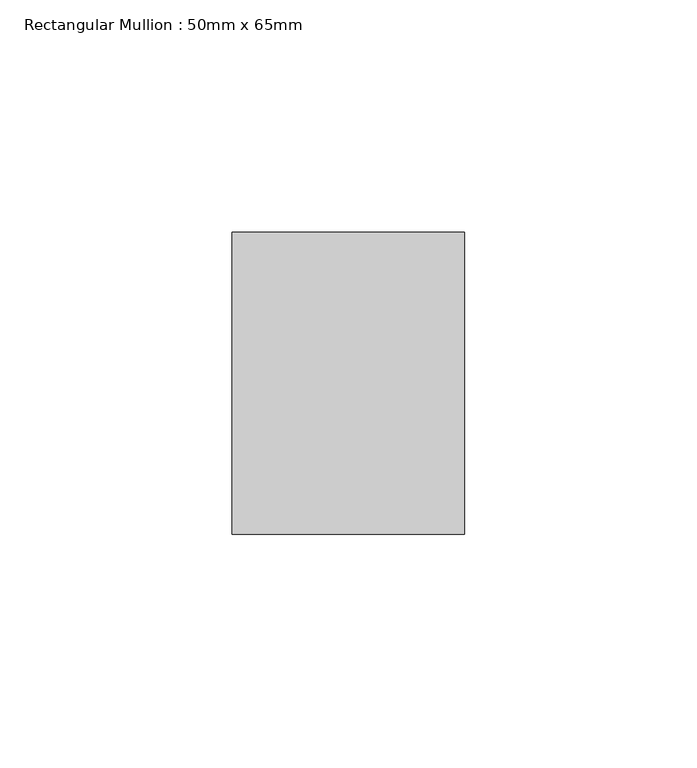
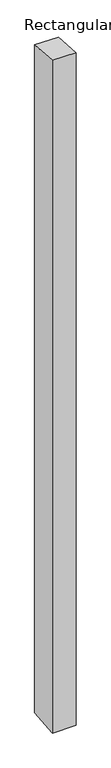
"""IFC4 building model written with IfcOpenShell, lengths in millimetres: member geometry, Rectangular Mullion : 50mm x 65mm."""

import ifcopenshell
import ifcopenshell.guid

model = None  # the IFC model being written
_history = None  # IfcOwnerHistory: only IFC2X3 demands one
_inside = {}  # id of a spatial element -> (the spatial element, [elements in it])
_under = {}  # id of a project, library or spatial element -> (it, [spatial elements below it])
_declared = {}  # id of a project -> (the project, [libraries it declares])
_typed = {}  # id of a type object -> (the type object, [elements of that type])
_made_of = {}  # id of a material, layer set ... -> (it, [elements and type objects made of it])


def new_model(schema):
    """Start an empty IFC model of exactly this schema.

    Asked for "IFC4X3", IfcOpenShell would pick the latest addendum, in which some entities
    have other attributes; the version numbers below select the first issue.
    IFC2X3 requires an IfcOwnerHistory on every rooted entity: one is made here for all.
    """
    global model, _history
    if schema == "IFC4X3":
        model = ifcopenshell.file(schema_version=(4, 3, 0, 0))
    else:
        model = ifcopenshell.file(schema=schema)
    _inside.clear()
    _under.clear()
    _declared.clear()
    _typed.clear()
    _made_of.clear()
    _history = None
    if model.schema == "IFC2X3":
        org = make("IfcOrganization", Name="unknown")
        user = make(
            "IfcPersonAndOrganization",
            ThePerson=make("IfcPerson", FamilyName="unknown"),
            TheOrganization=org,
        )
        app = make(
            "IfcApplication",
            ApplicationDeveloper=org,
            Version="unknown",
            ApplicationFullName="unknown",
            ApplicationIdentifier="unknown",
        )
        _history = make(
            "IfcOwnerHistory",
            OwningUser=user,
            OwningApplication=app,
            ChangeAction="ADDED",
            CreationDate=0,
        )
    return model


def make(cls, **values):
    """One entity of the class cls with the attributes given. An attribute that is None is left unset."""
    return model.create_entity(
        cls, **{name: value for name, value in values.items() if value is not None}
    )


def rooted(cls, **values):
    """An entity with a GlobalId (a new one), such as an element, a storey or a relation."""
    return make(cls, GlobalId=ifcopenshell.guid.new(), OwnerHistory=_history, **values)


def si_unit(unit_type, name, prefix=None):
    """IfcSIUnit, for example si_unit("LENGTHUNIT", "METRE", prefix="MILLI")."""
    return make("IfcSIUnit", UnitType=unit_type, Prefix=prefix, Name=name)


def assignment(units):
    """IfcUnitAssignment: the units of a project."""
    return None if units is None else make("IfcUnitAssignment", Units=units)


def point(xyz):
    """IfcCartesianPoint."""
    return None if xyz is None else make("IfcCartesianPoint", Coordinates=xyz)


def direction(xyz):
    """IfcDirection."""
    return None if xyz is None else make("IfcDirection", DirectionRatios=xyz)


def frame(location, z_axis=None, x_axis=None):
    """IfcAxis2Placement3D, a coordinate frame: its origin and axes. An axis left out is left unset."""
    return make(
        "IfcAxis2Placement3D",
        Location=point(location),
        Axis=direction(z_axis),
        RefDirection=direction(x_axis),
    )


def origin():
    """The frame at (0, 0, 0) with its axes left unset."""
    return frame((0.0, 0.0, 0.0))


def place(relative_to, where):
    """IfcLocalPlacement: puts the frame where relative to a parent placement (None: the world)."""
    return make(
        "IfcLocalPlacement", PlacementRelTo=relative_to, RelativePlacement=where
    )


def context(
    kind, dimensions, precision=None, world=None, true_north=None, identifier=None
):
    """IfcGeometricRepresentationContext, for example the 3D "Model" context."""
    return make(
        "IfcGeometricRepresentationContext",
        ContextIdentifier=identifier,
        ContextType=kind,
        CoordinateSpaceDimension=dimensions,
        Precision=precision,
        WorldCoordinateSystem=world,
        TrueNorth=true_north,
    )


def project(units=None, contexts=None):
    """IfcProject with its units and contexts."""
    return rooted(
        "IfcProject",
        Name="project",
        RepresentationContexts=contexts,
        UnitsInContext=assignment(units),
    )


def spatial(cls, under=None, at=None, **own):
    """A site, building, storey or space (cls), placed at a placement, below another one or the project."""
    s = rooted(cls, ObjectPlacement=at, **own)
    if under is not None:
        _under.setdefault(under.id(), (under, []))[1].append(s)
    return s


def faces_of(points, faces, orient=None, outer=None):
    """IfcFace entities. A face is a list of loops; a loop is a list of indices into points, from 0.

    orient and outer hold one flag for each loop. By default every Orientation is true, the
    first loop of a face is its IfcFaceOuterBound and the others are IfcFaceBound.
    """
    made = []
    for i, loops in enumerate(faces):
        bounds = []
        for j, loop in enumerate(loops):
            is_outer = j == 0 if outer is None else outer[i][j]
            bounds.append(
                make(
                    "IfcFaceOuterBound" if is_outer else "IfcFaceBound",
                    Bound=make("IfcPolyLoop", Polygon=[points[k] for k in loop]),
                    Orientation=True if orient is None else orient[i][j],
                )
            )
        made.append(make("IfcFace", Bounds=bounds))
    return made


def faceted_brep(points, faces, orient=None, outer=None, voids=None):
    """IfcFacetedBrep: a solid bounded by flat faces; with voids (closed shells), ...WithVoids."""
    shared = [point(p) for p in points]
    hull = make("IfcClosedShell", CfsFaces=faces_of(shared, faces, orient, outer))
    if voids is None:
        return make("IfcFacetedBrep", Outer=hull)
    return make(
        "IfcFacetedBrepWithVoids",
        Outer=hull,
        Voids=[
            make(cls, CfsFaces=faces_of(shared, fs, o, b)) for cls, fs, o, b in voids
        ],
    )


def shape(context_of_items, identifier, shape_type, items):
    """IfcShapeRepresentation: the items that make up one representation, for example the "Body"."""
    return make(
        "IfcShapeRepresentation",
        ContextOfItems=context_of_items,
        RepresentationIdentifier=identifier,
        RepresentationType=shape_type,
        Items=items,
    )


def source(mapping_origin, context_of_items, identifier, shape_type, items):
    """IfcRepresentationMap: a shape defined once, which mapped items show again and again."""
    return make(
        "IfcRepresentationMap",
        MappingOrigin=mapping_origin,
        MappedRepresentation=shape(context_of_items, identifier, shape_type, items),
    )


def transform(
    local_origin,
    x_axis=None,
    y_axis=None,
    z_axis=None,
    scale=None,
    scale2=None,
    scale3=None,
    uniform=True,
):
    """IfcCartesianTransformationOperator3D, or its non-uniform kind. x_axis, y_axis, z_axis: its Axis1, 2, 3."""
    if uniform:
        return make(
            "IfcCartesianTransformationOperator3D",
            Axis1=direction(x_axis),
            Axis2=direction(y_axis),
            LocalOrigin=point(local_origin),
            Scale=scale,
            Axis3=direction(z_axis),
        )
    return make(
        "IfcCartesianTransformationOperator3DnonUniform",
        Axis1=direction(x_axis),
        Axis2=direction(y_axis),
        LocalOrigin=point(local_origin),
        Scale=scale,
        Axis3=direction(z_axis),
        Scale2=scale2,
        Scale3=scale3,
    )


def mapped(mapping_source, mapping_target):
    """IfcMappedItem: shows the shape of a source again, moved by a transform."""
    return make(
        "IfcMappedItem", MappingSource=mapping_source, MappingTarget=mapping_target
    )


def made_of(thing, what):
    """Note that an element or type object is made of a material, layer set ...; save() writes the relation."""
    if what is not None:
        _made_of.setdefault(what.id(), (what, []))[1].append(thing)
    return thing


def element(
    cls,
    number,
    at=None,
    inside=None,
    cuts=None,
    type_object=None,
    material=None,
    context=None,
    identifier="Body",
    shape_type=None,
    held_by="IfcProductDefinitionShape",
    body=None,
    shapes=None,
    **own,
):
    """One element of the class cls, such as IfcWall. Its Tag is "e" and its number.

    at: its placement. inside: the storey or other place that contains it. cuts: it is an
    opening in that element (IfcRelVoidsElement). A single representation is given by context,
    identifier, shape_type and body (its items); several are given by shapes. held_by: the class
    of the entity that holds the representations. save() writes the other relations.
    """
    e = rooted(cls, Tag="e%d" % number, ObjectPlacement=at, **own)
    if body is not None:
        shapes = [shape(context, identifier, shape_type, body)]
    if shapes is not None:
        e.Representation = make(held_by, Representations=shapes)
    if inside is not None:
        _inside.setdefault(inside.id(), (inside, []))[1].append(e)
    if cuts is not None:
        rooted(
            "IfcRelVoidsElement", RelatingBuildingElement=cuts, RelatedOpeningElement=e
        )
    if type_object is not None:
        _typed.setdefault(type_object.id(), (type_object, []))[1].append(e)
    return made_of(e, material)


def aggregate(whole, parts):
    """IfcRelAggregates: a whole, such as a stair, and the parts it consists of."""
    return rooted("IfcRelAggregates", RelatingObject=whole, RelatedObjects=parts)


def save(model, path):
    """Write the relations noted so far, then the file.

    IfcRelAggregates (storeys below a building ...), IfcRelContainedInSpatialStructure (elements
    in a storey), IfcRelDefinesByType, IfcRelAssociatesMaterial and IfcRelDeclares: one each for
    every whole, place, type object, material and project.
    """
    for whole, parts in _under.values():
        aggregate(whole, parts)
    for where, things in _inside.values():
        rooted(
            "IfcRelContainedInSpatialStructure",
            RelatedElements=things,
            RelatingStructure=where,
        )
    for kind, things in _typed.values():
        rooted("IfcRelDefinesByType", RelatedObjects=things, RelatingType=kind)
    for what, things in _made_of.values():
        rooted("IfcRelAssociatesMaterial", RelatedObjects=things, RelatingMaterial=what)
    for by, libraries in _declared.values():
        rooted("IfcRelDeclares", RelatingContext=by, RelatedDefinitions=libraries)
    model.write(path)


def rectangular_mullion_50mm_x_65mm_3a045322(model_context):
    return source(origin(), model_context, "Body", "Brep", [
        faceted_brep([(-25.0, 32.5, -2.4319548), (25.0, 32.5, -2.4319445), (25.0, 32.5, -1497.0089065), (-25.0, 32.5, -1497.0088939), (-25.0, -32.5, 2.4319445), (-25.0, -32.5, -1502.9912065), (25.0, -32.5, 2.4319548), (25.0, -32.5, -1502.9912191)], [[[0, 1, 2, 3]], [[4, 0, 3, 5]], [[6, 4, 5, 7]], [[1, 6, 7, 2]], [[1, 0, 4, 6]], [[2, 7, 5, 3]]]),
    ])


if __name__ == "__main__":
    model = new_model("IFC4")
    model_context = context("Model", 3, world=origin())
    ifc_project = project(units=[si_unit("LENGTHUNIT", "METRE", prefix="MILLI")], contexts=[model_context])
    site = spatial("IfcSite", under=ifc_project)
    building = spatial("IfcBuilding", under=site)
    placement = place(None, origin())
    rectangular_mullion_50mm_x_65mm_shape = rectangular_mullion_50mm_x_65mm_3a045322(model_context)
    element("IfcMember", 1, ObjectType="Rectangular Mullion : 50mm x 65mm", at=placement, inside=building, context=model_context, shape_type="MappedRepresentation", body=[
        mapped(rectangular_mullion_50mm_x_65mm_shape, transform((0.0, 0.0, 0.0), x_axis=(1.0, 0.0, 0.0), y_axis=(0.0, 1.0, 0.0), z_axis=(0.0, 0.0, 1.0))),
    ])
    save(model, "model.ifc")
